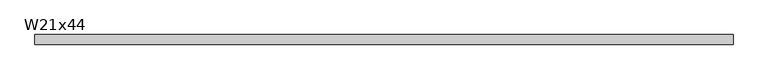
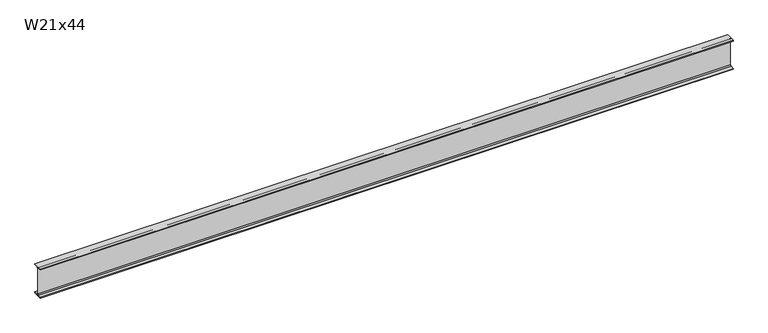
"""IFC4 building model written with IfcOpenShell, lengths in millimetres: beam geometry, W21x44."""

from ifc_helpers import new_model, si_unit, point, frame, frame_2d, origin, place, context, project, spatial, polyline, circle_curve, trimmed, segment, composite_curve, outline, extrude, source, transform, mapped, element, save


def w21x44_994bd6be(model_context):
    return source(origin(), model_context, "Body", "SweptSolid", [
        extrude(outline(composite_curve([segment(polyline([(82.55, -251.46), (82.55, -262.89), (-82.55, -262.89), (-82.55, -251.46), (-21.59, -251.46)]), True, "CONTINUOUS"), segment(trimmed(circle_curve(frame_2d((-21.59, -234.315)), 17.145), [point((-21.59, -251.46))], [point((-4.445, -234.315))], True, "CARTESIAN"), True, "CONTINUOUS"), segment(polyline([(-4.445, -234.315), (-4.445, 234.315)]), True, "CONTINUOUS"), segment(trimmed(circle_curve(frame_2d((-21.59, 234.315)), 17.145), [point((-4.445, 234.315))], [point((-21.59, 251.46))], True, "CARTESIAN"), True, "CONTINUOUS"), segment(polyline([(-21.59, 251.46), (-82.55, 251.46), (-82.55, 262.89), (82.55, 262.89), (82.55, 251.46), (21.59, 251.46)]), True, "CONTINUOUS"), segment(trimmed(circle_curve(frame_2d((21.59, 234.315)), 17.145), [point((21.59, 251.46))], [point((4.445, 234.315))], True, "CARTESIAN"), True, "CONTINUOUS"), segment(polyline([(4.445, 234.315), (4.445, -234.315)]), True, "CONTINUOUS"), segment(trimmed(circle_curve(frame_2d((21.59, -234.315)), 17.145), [point((4.445, -234.315))], [point((21.59, -251.46))], True, "CARTESIAN"), True, "CONTINUOUS"), segment(polyline([(21.59, -251.46), (82.55, -251.46)]), True, "CONTINUOUS")], self_intersect=False)), frame((-5976.62, 0.0, 0.0), z_axis=(1.0, 0.0, 0.0), x_axis=(0.0, 1.0, 0.0)), (0.0, 0.0, 1.0), 11983.593),
    ])


if __name__ == "__main__":
    model = new_model("IFC4")
    model_context = context("Model", 3, world=origin())
    ifc_project = project(units=[si_unit("LENGTHUNIT", "METRE", prefix="MILLI")], contexts=[model_context])
    site = spatial("IfcSite", under=ifc_project)
    building = spatial("IfcBuilding", under=site)
    placement = place(None, origin())
    w21x44_shape = w21x44_994bd6be(model_context)
    element("IfcBeam", 1, ObjectType="W21x44", at=placement, inside=building, context=model_context, shape_type="MappedRepresentation", body=[
        mapped(w21x44_shape, transform((0.0, 0.0, 0.0), x_axis=(1.0, 0.0, 0.0), y_axis=(0.0, 1.0, 0.0), z_axis=(0.0, 0.0, 1.0))),
    ])
    save(model, "model.ifc")
